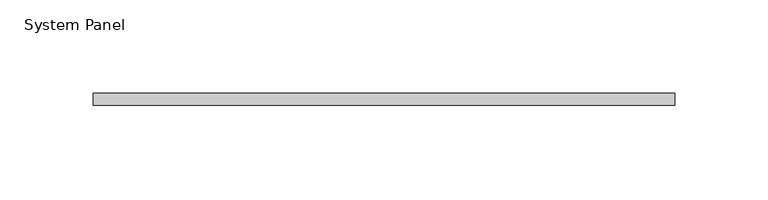
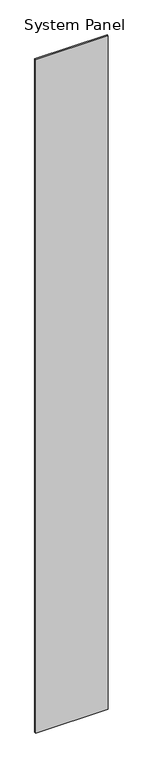
"""IFC4 building model written with IfcOpenShell, lengths in millimetres: plate geometry, System Panel."""

from ifc_helpers import new_model, si_unit, origin, origin_with_axes, place, context, project, spatial, polyline, outline, extrude, source, transform, mapped, element, save


def system_panel_5ebd1677(model_context):
    return source(origin(), model_context, "Body", "SweptSolid", [
        extrude(outline(polyline([(155.5881904, 0.0), (-155.5881904, 0.0), (-155.5881904, 6.35), (155.5881904, 6.35), (155.5881904, 0.0)])), origin_with_axes(), (0.0, 0.0, 1.0), 3048.0),
    ])


if __name__ == "__main__":
    model = new_model("IFC4")
    model_context = context("Model", 3, world=origin())
    ifc_project = project(units=[si_unit("LENGTHUNIT", "METRE", prefix="MILLI")], contexts=[model_context])
    site = spatial("IfcSite", under=ifc_project)
    building = spatial("IfcBuilding", under=site)
    placement = place(None, origin())
    system_panel_shape = system_panel_5ebd1677(model_context)
    element("IfcPlate", 1, ObjectType="System Panel", at=placement, inside=building, context=model_context, shape_type="MappedRepresentation", body=[
        mapped(system_panel_shape, transform((0.0, 0.0, 0.0), x_axis=(1.0, 0.0, 0.0), y_axis=(0.0, 1.0, 0.0), z_axis=(0.0, 0.0, 1.0))),
    ])
    save(model, "model.ifc")
